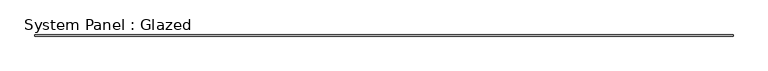
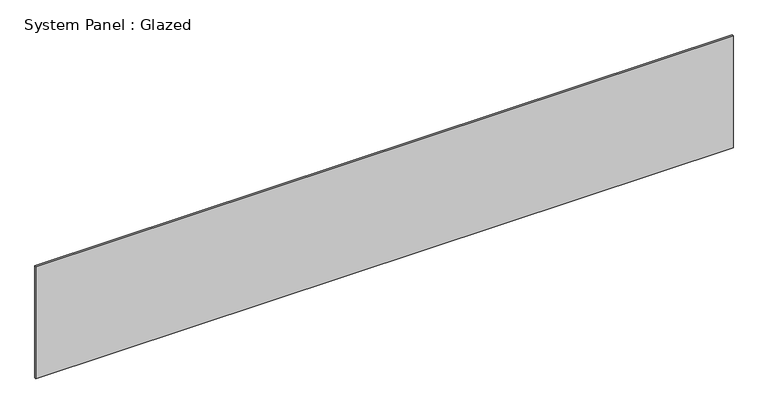
"""IFC4 building model written with IfcOpenShell, lengths in millimetres: plate geometry, System Panel : Glazed."""

from ifc_helpers import new_model, si_unit, origin, origin_with_axes, place, context, project, spatial, polyline, outline, extrude, source, transform, mapped, element, save


def system_panel_glazed_b7f77977(model_context):
    return source(origin(), model_context, "Body", "SweptSolid", [
        extrude(outline(polyline([(7924.8, 19.05), (-7924.8, 19.05), (-7924.8, 44.45), (7924.8, 44.45), (7924.8, 19.05)])), origin_with_axes(), (0.0, 0.0, 1.0), 2692.4),
    ])


if __name__ == "__main__":
    model = new_model("IFC4")
    model_context = context("Model", 3, world=origin())
    ifc_project = project(units=[si_unit("LENGTHUNIT", "METRE", prefix="MILLI")], contexts=[model_context])
    site = spatial("IfcSite", under=ifc_project)
    building = spatial("IfcBuilding", under=site)
    placement = place(None, origin())
    system_panel_glazed_shape = system_panel_glazed_b7f77977(model_context)
    element("IfcPlate", 1, ObjectType="System Panel : Glazed", at=placement, inside=building, context=model_context, shape_type="MappedRepresentation", body=[
        mapped(system_panel_glazed_shape, transform((0.0, 0.0, 0.0), x_axis=(1.0, 0.0, 0.0), y_axis=(0.0, 1.0, 0.0), z_axis=(0.0, 0.0, 1.0))),
    ])
    save(model, "model.ifc")
